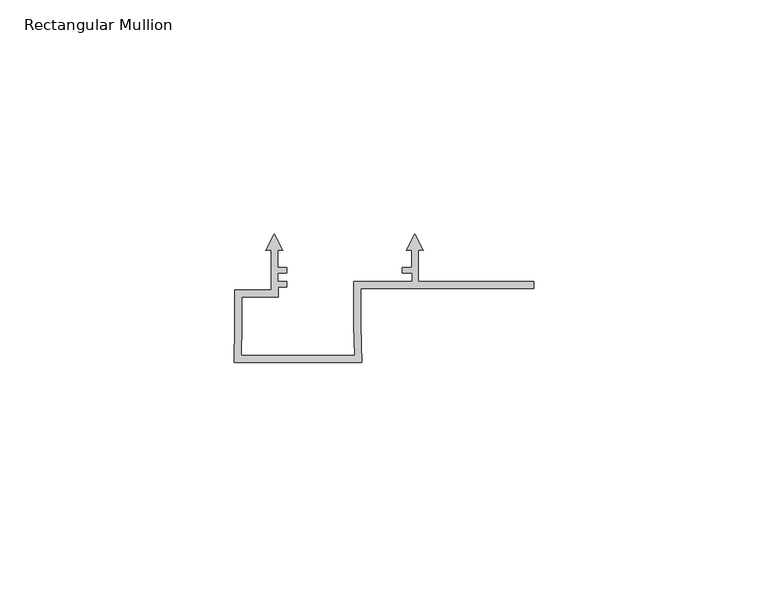
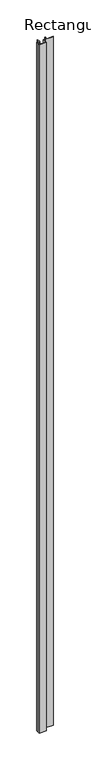
"""IFC4 building model written with IfcOpenShell, lengths in millimetres: member geometry, Rectangular Mullion."""

import ifcopenshell
import ifcopenshell.guid

model = None  # the IFC model being written
_history = None  # IfcOwnerHistory: only IFC2X3 demands one
_inside = {}  # id of a spatial element -> (the spatial element, [elements in it])
_under = {}  # id of a project, library or spatial element -> (it, [spatial elements below it])
_declared = {}  # id of a project -> (the project, [libraries it declares])
_typed = {}  # id of a type object -> (the type object, [elements of that type])
_made_of = {}  # id of a material, layer set ... -> (it, [elements and type objects made of it])


def new_model(schema):
    """Start an empty IFC model of exactly this schema.

    Asked for "IFC4X3", IfcOpenShell would pick the latest addendum, in which some entities
    have other attributes; the version numbers below select the first issue.
    IFC2X3 requires an IfcOwnerHistory on every rooted entity: one is made here for all.
    """
    global model, _history
    if schema == "IFC4X3":
        model = ifcopenshell.file(schema_version=(4, 3, 0, 0))
    else:
        model = ifcopenshell.file(schema=schema)
    _inside.clear()
    _under.clear()
    _declared.clear()
    _typed.clear()
    _made_of.clear()
    _history = None
    if model.schema == "IFC2X3":
        org = make("IfcOrganization", Name="unknown")
        user = make(
            "IfcPersonAndOrganization",
            ThePerson=make("IfcPerson", FamilyName="unknown"),
            TheOrganization=org,
        )
        app = make(
            "IfcApplication",
            ApplicationDeveloper=org,
            Version="unknown",
            ApplicationFullName="unknown",
            ApplicationIdentifier="unknown",
        )
        _history = make(
            "IfcOwnerHistory",
            OwningUser=user,
            OwningApplication=app,
            ChangeAction="ADDED",
            CreationDate=0,
        )
    return model


def make(cls, **values):
    """One entity of the class cls with the attributes given. An attribute that is None is left unset."""
    return model.create_entity(
        cls, **{name: value for name, value in values.items() if value is not None}
    )


def rooted(cls, **values):
    """An entity with a GlobalId (a new one), such as an element, a storey or a relation."""
    return make(cls, GlobalId=ifcopenshell.guid.new(), OwnerHistory=_history, **values)


def si_unit(unit_type, name, prefix=None):
    """IfcSIUnit, for example si_unit("LENGTHUNIT", "METRE", prefix="MILLI")."""
    return make("IfcSIUnit", UnitType=unit_type, Prefix=prefix, Name=name)


def assignment(units):
    """IfcUnitAssignment: the units of a project."""
    return None if units is None else make("IfcUnitAssignment", Units=units)


def point(xyz):
    """IfcCartesianPoint."""
    return None if xyz is None else make("IfcCartesianPoint", Coordinates=xyz)


def direction(xyz):
    """IfcDirection."""
    return None if xyz is None else make("IfcDirection", DirectionRatios=xyz)


def frame(location, z_axis=None, x_axis=None):
    """IfcAxis2Placement3D, a coordinate frame: its origin and axes. An axis left out is left unset."""
    return make(
        "IfcAxis2Placement3D",
        Location=point(location),
        Axis=direction(z_axis),
        RefDirection=direction(x_axis),
    )


def origin():
    """The frame at (0, 0, 0) with its axes left unset."""
    return frame((0.0, 0.0, 0.0))


def place(relative_to, where):
    """IfcLocalPlacement: puts the frame where relative to a parent placement (None: the world)."""
    return make(
        "IfcLocalPlacement", PlacementRelTo=relative_to, RelativePlacement=where
    )


def context(
    kind, dimensions, precision=None, world=None, true_north=None, identifier=None
):
    """IfcGeometricRepresentationContext, for example the 3D "Model" context."""
    return make(
        "IfcGeometricRepresentationContext",
        ContextIdentifier=identifier,
        ContextType=kind,
        CoordinateSpaceDimension=dimensions,
        Precision=precision,
        WorldCoordinateSystem=world,
        TrueNorth=true_north,
    )


def project(units=None, contexts=None):
    """IfcProject with its units and contexts."""
    return rooted(
        "IfcProject",
        Name="project",
        RepresentationContexts=contexts,
        UnitsInContext=assignment(units),
    )


def spatial(cls, under=None, at=None, **own):
    """A site, building, storey or space (cls), placed at a placement, below another one or the project."""
    s = rooted(cls, ObjectPlacement=at, **own)
    if under is not None:
        _under.setdefault(under.id(), (under, []))[1].append(s)
    return s


def polyline(points):
    """IfcPolyline through the points."""
    return make("IfcPolyline", Points=[point(p) for p in points])


def outline(outer, holes=None, kind="AREA"):
    """IfcArbitraryClosedProfileDef: a profile drawn as a closed curve; with holes, ...WithVoids."""
    if holes is None:
        return make("IfcArbitraryClosedProfileDef", ProfileType=kind, OuterCurve=outer)
    return make(
        "IfcArbitraryProfileDefWithVoids",
        ProfileType=kind,
        OuterCurve=outer,
        InnerCurves=holes,
    )


def extrude(swept, where, along, depth):
    """IfcExtrudedAreaSolid: the profile swept, set in the frame where, extruded along a direction by depth."""
    return make(
        "IfcExtrudedAreaSolid",
        SweptArea=swept,
        Position=where,
        ExtrudedDirection=direction(along),
        Depth=depth,
    )


def shape(context_of_items, identifier, shape_type, items):
    """IfcShapeRepresentation: the items that make up one representation, for example the "Body"."""
    return make(
        "IfcShapeRepresentation",
        ContextOfItems=context_of_items,
        RepresentationIdentifier=identifier,
        RepresentationType=shape_type,
        Items=items,
    )


def source(mapping_origin, context_of_items, identifier, shape_type, items):
    """IfcRepresentationMap: a shape defined once, which mapped items show again and again."""
    return make(
        "IfcRepresentationMap",
        MappingOrigin=mapping_origin,
        MappedRepresentation=shape(context_of_items, identifier, shape_type, items),
    )


def transform(
    local_origin,
    x_axis=None,
    y_axis=None,
    z_axis=None,
    scale=None,
    scale2=None,
    scale3=None,
    uniform=True,
):
    """IfcCartesianTransformationOperator3D, or its non-uniform kind. x_axis, y_axis, z_axis: its Axis1, 2, 3."""
    if uniform:
        return make(
            "IfcCartesianTransformationOperator3D",
            Axis1=direction(x_axis),
            Axis2=direction(y_axis),
            LocalOrigin=point(local_origin),
            Scale=scale,
            Axis3=direction(z_axis),
        )
    return make(
        "IfcCartesianTransformationOperator3DnonUniform",
        Axis1=direction(x_axis),
        Axis2=direction(y_axis),
        LocalOrigin=point(local_origin),
        Scale=scale,
        Axis3=direction(z_axis),
        Scale2=scale2,
        Scale3=scale3,
    )


def mapped(mapping_source, mapping_target):
    """IfcMappedItem: shows the shape of a source again, moved by a transform."""
    return make(
        "IfcMappedItem", MappingSource=mapping_source, MappingTarget=mapping_target
    )


def made_of(thing, what):
    """Note that an element or type object is made of a material, layer set ...; save() writes the relation."""
    if what is not None:
        _made_of.setdefault(what.id(), (what, []))[1].append(thing)
    return thing


def element(
    cls,
    number,
    at=None,
    inside=None,
    cuts=None,
    type_object=None,
    material=None,
    context=None,
    identifier="Body",
    shape_type=None,
    held_by="IfcProductDefinitionShape",
    body=None,
    shapes=None,
    **own,
):
    """One element of the class cls, such as IfcWall. Its Tag is "e" and its number.

    at: its placement. inside: the storey or other place that contains it. cuts: it is an
    opening in that element (IfcRelVoidsElement). A single representation is given by context,
    identifier, shape_type and body (its items); several are given by shapes. held_by: the class
    of the entity that holds the representations. save() writes the other relations.
    """
    e = rooted(cls, Tag="e%d" % number, ObjectPlacement=at, **own)
    if body is not None:
        shapes = [shape(context, identifier, shape_type, body)]
    if shapes is not None:
        e.Representation = make(held_by, Representations=shapes)
    if inside is not None:
        _inside.setdefault(inside.id(), (inside, []))[1].append(e)
    if cuts is not None:
        rooted(
            "IfcRelVoidsElement", RelatingBuildingElement=cuts, RelatedOpeningElement=e
        )
    if type_object is not None:
        _typed.setdefault(type_object.id(), (type_object, []))[1].append(e)
    return made_of(e, material)


def aggregate(whole, parts):
    """IfcRelAggregates: a whole, such as a stair, and the parts it consists of."""
    return rooted("IfcRelAggregates", RelatingObject=whole, RelatedObjects=parts)


def save(model, path):
    """Write the relations noted so far, then the file.

    IfcRelAggregates (storeys below a building ...), IfcRelContainedInSpatialStructure (elements
    in a storey), IfcRelDefinesByType, IfcRelAssociatesMaterial and IfcRelDeclares: one each for
    every whole, place, type object, material and project.
    """
    for whole, parts in _under.values():
        aggregate(whole, parts)
    for where, things in _inside.values():
        rooted(
            "IfcRelContainedInSpatialStructure",
            RelatedElements=things,
            RelatingStructure=where,
        )
    for kind, things in _typed.values():
        rooted("IfcRelDefinesByType", RelatedObjects=things, RelatingType=kind)
    for what, things in _made_of.values():
        rooted("IfcRelAssociatesMaterial", RelatedObjects=things, RelatingMaterial=what)
    for by, libraries in _declared.values():
        rooted("IfcRelDeclares", RelatingContext=by, RelatedDefinitions=libraries)
    model.write(path)


def rectangular_mullion_6b931fee(model_context):
    return source(origin(), model_context, "Body", "SweptSolid", [
        extrude(outline(polyline([(0.0, -52.1000001), (0.1443272, -44.0977912), (0.1443272, -36.5995654), (7.9351461, -36.5995654), (7.9351461, -28.0038205), (6.8194096, -28.1014348), (8.6351462, -24.5378474), (10.4508827, -28.1014348), (9.3351463, -28.0038206), (9.3351463, -31.698351), (11.3227094, -31.698351), (11.3227094, -32.9004386), (9.344327, -32.9004386), (9.344327, -34.6999954), (11.3232242, -34.6999954), (11.3232242, -35.9015214), (9.4446143, -35.9015214), (9.4446143, -38.0997951), (1.6351472, -38.0997951), (1.6351135, -44.1153631), (1.5181226, -50.5999998), (25.7521689, -50.5999998), (25.6351455, -44.1117002), (25.6351455, -34.6999997), (38.0351451, -34.6999997), (38.0351451, -32.9008281), (35.942882, -32.9008281), (35.942882, -31.6999997), (37.9351461, -31.6999997), (37.9351461, -28.0038204), (36.8194083, -28.1014348), (38.635145, -24.5378474), (40.4508816, -28.1014348), (39.3351463, -28.0038207), (39.3351463, -34.7056679), (64.1, -34.7056679), (64.1, -36.2004291), (27.1353052, -36.2004291), (27.1352165, -44.1039069), (27.279476, -52.1000001), (0.0, -52.1000001)])), frame((0.0, 0.0, -2800.0), z_axis=(0.0, 0.0, 1.0), x_axis=(1.0, 0.0, 0.0)), (0.0, 0.0, 1.0), 2800.0),
    ])


if __name__ == "__main__":
    model = new_model("IFC4")
    model_context = context("Model", 3, world=origin())
    ifc_project = project(units=[si_unit("LENGTHUNIT", "METRE", prefix="MILLI")], contexts=[model_context])
    site = spatial("IfcSite", under=ifc_project)
    building = spatial("IfcBuilding", under=site)
    placement = place(None, origin())
    rectangular_mullion_shape = rectangular_mullion_6b931fee(model_context)
    element("IfcMember", 1, ObjectType="Rectangular Mullion", at=placement, inside=building, context=model_context, shape_type="MappedRepresentation", body=[
        mapped(rectangular_mullion_shape, transform((0.0, 0.0, 0.0), x_axis=(1.0, 0.0, 0.0), y_axis=(0.0, 1.0, 0.0), z_axis=(0.0, 0.0, 1.0))),
    ])
    save(model, "model.ifc")
